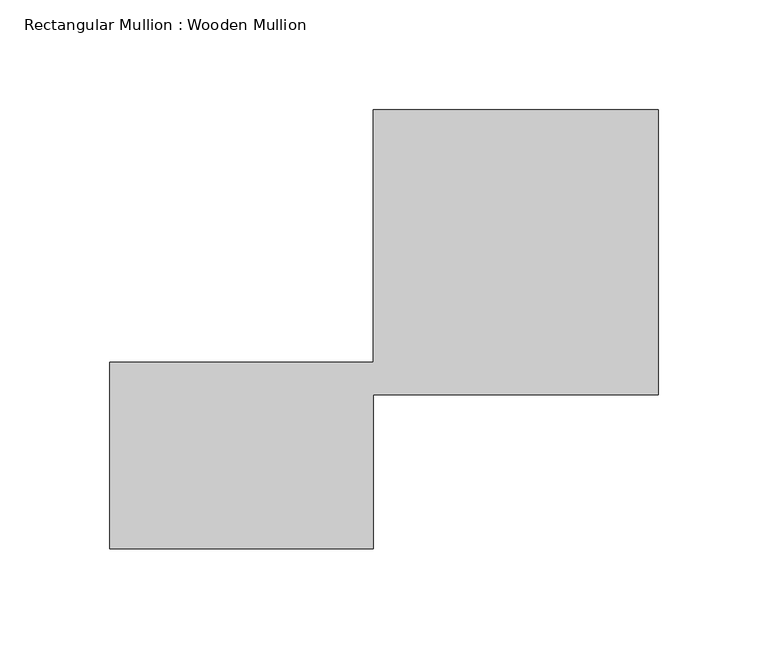
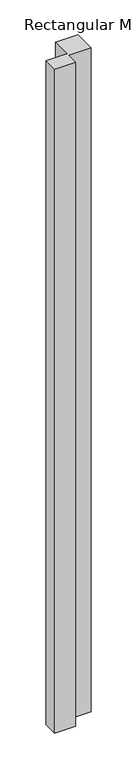
"""IFC4 building model written with IfcOpenShell, lengths in millimetres: member geometry, Rectangular Mullion : Wooden Mullion."""

from ifc_helpers import new_model, si_unit, frame, origin, place, context, project, spatial, polyline, outline, extrude, source, transform, mapped, element, save


def rectangular_mullion_wooden_mullion_00d67ef8(model_context):
    return source(origin(), model_context, "Body", "SweptSolid", [
        extrude(outline(polyline([(74.8100006, -26.0137344), (-45.1899994, -26.0137344), (-45.1899994, 58.9862656), (74.8100006, 58.9862656), (74.8100006, 173.9862656), (204.8100006, 173.9862656), (204.8100006, 43.9862656), (74.8100006, 43.9862656), (74.8100006, -26.0137344)])), frame((0.0, 0.0, -4060.591889), z_axis=(0.0, 0.0, 1.0), x_axis=(1.0, 0.0, 0.0)), (0.0, 0.0, 1.0), 4060.591889),
    ])


if __name__ == "__main__":
    model = new_model("IFC4")
    model_context = context("Model", 3, world=origin())
    ifc_project = project(units=[si_unit("LENGTHUNIT", "METRE", prefix="MILLI")], contexts=[model_context])
    site = spatial("IfcSite", under=ifc_project)
    building = spatial("IfcBuilding", under=site)
    placement = place(None, origin())
    rectangular_mullion_wooden_mullion_shape = rectangular_mullion_wooden_mullion_00d67ef8(model_context)
    element("IfcMember", 1, ObjectType="Rectangular Mullion : Wooden Mullion", at=placement, inside=building, context=model_context, shape_type="MappedRepresentation", body=[
        mapped(rectangular_mullion_wooden_mullion_shape, transform((0.0, 0.0, 0.0), x_axis=(1.0, 0.0, 0.0), y_axis=(0.0, 1.0, 0.0), z_axis=(0.0, 0.0, 1.0))),
    ])
    save(model, "model.ifc")
